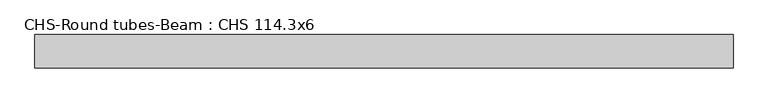
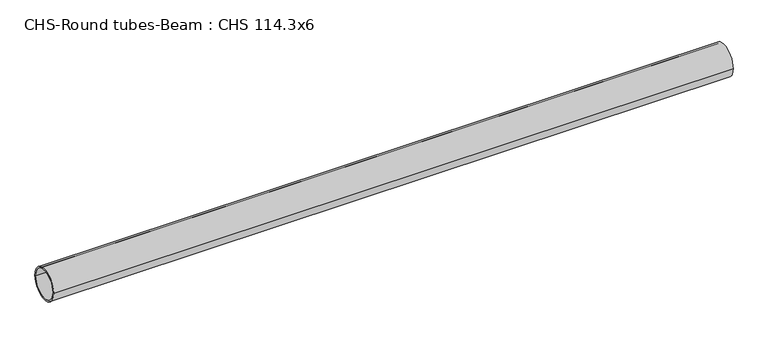
"""IFC4 building model written with IfcOpenShell, lengths in millimetres: beam geometry, CHS-Round tubes-Beam : CHS 114.3x6."""

import ifcopenshell
import ifcopenshell.guid

model = None  # the IFC model being written
_history = None  # IfcOwnerHistory: only IFC2X3 demands one
_inside = {}  # id of a spatial element -> (the spatial element, [elements in it])
_under = {}  # id of a project, library or spatial element -> (it, [spatial elements below it])
_declared = {}  # id of a project -> (the project, [libraries it declares])
_typed = {}  # id of a type object -> (the type object, [elements of that type])
_made_of = {}  # id of a material, layer set ... -> (it, [elements and type objects made of it])


def new_model(schema):
    """Start an empty IFC model of exactly this schema.

    Asked for "IFC4X3", IfcOpenShell would pick the latest addendum, in which some entities
    have other attributes; the version numbers below select the first issue.
    IFC2X3 requires an IfcOwnerHistory on every rooted entity: one is made here for all.
    """
    global model, _history
    if schema == "IFC4X3":
        model = ifcopenshell.file(schema_version=(4, 3, 0, 0))
    else:
        model = ifcopenshell.file(schema=schema)
    _inside.clear()
    _under.clear()
    _declared.clear()
    _typed.clear()
    _made_of.clear()
    _history = None
    if model.schema == "IFC2X3":
        org = make("IfcOrganization", Name="unknown")
        user = make(
            "IfcPersonAndOrganization",
            ThePerson=make("IfcPerson", FamilyName="unknown"),
            TheOrganization=org,
        )
        app = make(
            "IfcApplication",
            ApplicationDeveloper=org,
            Version="unknown",
            ApplicationFullName="unknown",
            ApplicationIdentifier="unknown",
        )
        _history = make(
            "IfcOwnerHistory",
            OwningUser=user,
            OwningApplication=app,
            ChangeAction="ADDED",
            CreationDate=0,
        )
    return model


def make(cls, **values):
    """One entity of the class cls with the attributes given. An attribute that is None is left unset."""
    return model.create_entity(
        cls, **{name: value for name, value in values.items() if value is not None}
    )


def rooted(cls, **values):
    """An entity with a GlobalId (a new one), such as an element, a storey or a relation."""
    return make(cls, GlobalId=ifcopenshell.guid.new(), OwnerHistory=_history, **values)


def si_unit(unit_type, name, prefix=None):
    """IfcSIUnit, for example si_unit("LENGTHUNIT", "METRE", prefix="MILLI")."""
    return make("IfcSIUnit", UnitType=unit_type, Prefix=prefix, Name=name)


def assignment(units):
    """IfcUnitAssignment: the units of a project."""
    return None if units is None else make("IfcUnitAssignment", Units=units)


def point(xyz):
    """IfcCartesianPoint."""
    return None if xyz is None else make("IfcCartesianPoint", Coordinates=xyz)


def direction(xyz):
    """IfcDirection."""
    return None if xyz is None else make("IfcDirection", DirectionRatios=xyz)


def frame(location, z_axis=None, x_axis=None):
    """IfcAxis2Placement3D, a coordinate frame: its origin and axes. An axis left out is left unset."""
    return make(
        "IfcAxis2Placement3D",
        Location=point(location),
        Axis=direction(z_axis),
        RefDirection=direction(x_axis),
    )


def frame_2d(location, x_axis=None):
    """IfcAxis2Placement2D, a coordinate frame in the plane: its origin and x axis."""
    return make(
        "IfcAxis2Placement2D", Location=point(location), RefDirection=direction(x_axis)
    )


def origin():
    """The frame at (0, 0, 0) with its axes left unset."""
    return frame((0.0, 0.0, 0.0))


def origin_2d():
    """The frame at (0, 0) in the plane with its x axis left unset."""
    return frame_2d((0.0, 0.0))


def place(relative_to, where):
    """IfcLocalPlacement: puts the frame where relative to a parent placement (None: the world)."""
    return make(
        "IfcLocalPlacement", PlacementRelTo=relative_to, RelativePlacement=where
    )


def context(
    kind, dimensions, precision=None, world=None, true_north=None, identifier=None
):
    """IfcGeometricRepresentationContext, for example the 3D "Model" context."""
    return make(
        "IfcGeometricRepresentationContext",
        ContextIdentifier=identifier,
        ContextType=kind,
        CoordinateSpaceDimension=dimensions,
        Precision=precision,
        WorldCoordinateSystem=world,
        TrueNorth=true_north,
    )


def project(units=None, contexts=None):
    """IfcProject with its units and contexts."""
    return rooted(
        "IfcProject",
        Name="project",
        RepresentationContexts=contexts,
        UnitsInContext=assignment(units),
    )


def spatial(cls, under=None, at=None, **own):
    """A site, building, storey or space (cls), placed at a placement, below another one or the project."""
    s = rooted(cls, ObjectPlacement=at, **own)
    if under is not None:
        _under.setdefault(under.id(), (under, []))[1].append(s)
    return s


def circle_curve(where, radius):
    """IfcCircle in the frame where."""
    return make("IfcCircle", Position=where, Radius=radius)


def trimmed(basis, trim1, trim2, sense, master):
    """IfcTrimmedCurve: the piece of a basis curve between two trims."""
    return make(
        "IfcTrimmedCurve",
        BasisCurve=basis,
        Trim1=trim1,
        Trim2=trim2,
        SenseAgreement=sense,
        MasterRepresentation=master,
    )


def segment(curve, same_sense, transition):
    """IfcCompositeCurveSegment."""
    return make(
        "IfcCompositeCurveSegment",
        Transition=transition,
        SameSense=same_sense,
        ParentCurve=curve,
    )


def composite_curve(segments, self_intersect=None):
    """IfcCompositeCurve: segments joined end to end."""
    return make("IfcCompositeCurve", Segments=segments, SelfIntersect=self_intersect)


def outline(outer, holes=None, kind="AREA"):
    """IfcArbitraryClosedProfileDef: a profile drawn as a closed curve; with holes, ...WithVoids."""
    if holes is None:
        return make("IfcArbitraryClosedProfileDef", ProfileType=kind, OuterCurve=outer)
    return make(
        "IfcArbitraryProfileDefWithVoids",
        ProfileType=kind,
        OuterCurve=outer,
        InnerCurves=holes,
    )


def extrude(swept, where, along, depth):
    """IfcExtrudedAreaSolid: the profile swept, set in the frame where, extruded along a direction by depth."""
    return make(
        "IfcExtrudedAreaSolid",
        SweptArea=swept,
        Position=where,
        ExtrudedDirection=direction(along),
        Depth=depth,
    )


def shape(context_of_items, identifier, shape_type, items):
    """IfcShapeRepresentation: the items that make up one representation, for example the "Body"."""
    return make(
        "IfcShapeRepresentation",
        ContextOfItems=context_of_items,
        RepresentationIdentifier=identifier,
        RepresentationType=shape_type,
        Items=items,
    )


def source(mapping_origin, context_of_items, identifier, shape_type, items):
    """IfcRepresentationMap: a shape defined once, which mapped items show again and again."""
    return make(
        "IfcRepresentationMap",
        MappingOrigin=mapping_origin,
        MappedRepresentation=shape(context_of_items, identifier, shape_type, items),
    )


def transform(
    local_origin,
    x_axis=None,
    y_axis=None,
    z_axis=None,
    scale=None,
    scale2=None,
    scale3=None,
    uniform=True,
):
    """IfcCartesianTransformationOperator3D, or its non-uniform kind. x_axis, y_axis, z_axis: its Axis1, 2, 3."""
    if uniform:
        return make(
            "IfcCartesianTransformationOperator3D",
            Axis1=direction(x_axis),
            Axis2=direction(y_axis),
            LocalOrigin=point(local_origin),
            Scale=scale,
            Axis3=direction(z_axis),
        )
    return make(
        "IfcCartesianTransformationOperator3DnonUniform",
        Axis1=direction(x_axis),
        Axis2=direction(y_axis),
        LocalOrigin=point(local_origin),
        Scale=scale,
        Axis3=direction(z_axis),
        Scale2=scale2,
        Scale3=scale3,
    )


def mapped(mapping_source, mapping_target):
    """IfcMappedItem: shows the shape of a source again, moved by a transform."""
    return make(
        "IfcMappedItem", MappingSource=mapping_source, MappingTarget=mapping_target
    )


def made_of(thing, what):
    """Note that an element or type object is made of a material, layer set ...; save() writes the relation."""
    if what is not None:
        _made_of.setdefault(what.id(), (what, []))[1].append(thing)
    return thing


def element(
    cls,
    number,
    at=None,
    inside=None,
    cuts=None,
    type_object=None,
    material=None,
    context=None,
    identifier="Body",
    shape_type=None,
    held_by="IfcProductDefinitionShape",
    body=None,
    shapes=None,
    **own,
):
    """One element of the class cls, such as IfcWall. Its Tag is "e" and its number.

    at: its placement. inside: the storey or other place that contains it. cuts: it is an
    opening in that element (IfcRelVoidsElement). A single representation is given by context,
    identifier, shape_type and body (its items); several are given by shapes. held_by: the class
    of the entity that holds the representations. save() writes the other relations.
    """
    e = rooted(cls, Tag="e%d" % number, ObjectPlacement=at, **own)
    if body is not None:
        shapes = [shape(context, identifier, shape_type, body)]
    if shapes is not None:
        e.Representation = make(held_by, Representations=shapes)
    if inside is not None:
        _inside.setdefault(inside.id(), (inside, []))[1].append(e)
    if cuts is not None:
        rooted(
            "IfcRelVoidsElement", RelatingBuildingElement=cuts, RelatedOpeningElement=e
        )
    if type_object is not None:
        _typed.setdefault(type_object.id(), (type_object, []))[1].append(e)
    return made_of(e, material)


def aggregate(whole, parts):
    """IfcRelAggregates: a whole, such as a stair, and the parts it consists of."""
    return rooted("IfcRelAggregates", RelatingObject=whole, RelatedObjects=parts)


def save(model, path):
    """Write the relations noted so far, then the file.

    IfcRelAggregates (storeys below a building ...), IfcRelContainedInSpatialStructure (elements
    in a storey), IfcRelDefinesByType, IfcRelAssociatesMaterial and IfcRelDeclares: one each for
    every whole, place, type object, material and project.
    """
    for whole, parts in _under.values():
        aggregate(whole, parts)
    for where, things in _inside.values():
        rooted(
            "IfcRelContainedInSpatialStructure",
            RelatedElements=things,
            RelatingStructure=where,
        )
    for kind, things in _typed.values():
        rooted("IfcRelDefinesByType", RelatedObjects=things, RelatingType=kind)
    for what, things in _made_of.values():
        rooted("IfcRelAssociatesMaterial", RelatedObjects=things, RelatingMaterial=what)
    for by, libraries in _declared.values():
        rooted("IfcRelDeclares", RelatingContext=by, RelatedDefinitions=libraries)
    model.write(path)


def chs_round_tubes_beam_chs_114_3x6_41272ff7(model_context):
    return source(origin(), model_context, "Body", "SweptSolid", [
        extrude(outline(composite_curve([segment(trimmed(circle_curve(origin_2d(), 57.15), [point((57.15, 0.0))], [point((-57.15, 0.0))], False, "CARTESIAN"), True, "CONTINUOUS"), segment(trimmed(circle_curve(origin_2d(), 57.15), [point((-57.15, 0.0))], [point((57.15, 0.0))], False, "CARTESIAN"), True, "CONTINUOUS")], self_intersect=False), holes=[composite_curve([segment(trimmed(circle_curve(origin_2d(), 51.15), [point((51.15, 0.0))], [point((-51.15, 0.0))], True, "CARTESIAN"), True, "CONTINUOUS"), segment(trimmed(circle_curve(origin_2d(), 51.15), [point((-51.15, 0.0))], [point((51.15, 0.0))], True, "CARTESIAN"), True, "CONTINUOUS")], self_intersect=False)]), frame((-1147.514611, 0.0, 0.0), z_axis=(1.0, 0.0, 0.0), x_axis=(0.0, 1.0, 0.0)), (0.0, 0.0, 1.0), 2393.5632907),
    ])


if __name__ == "__main__":
    model = new_model("IFC4")
    model_context = context("Model", 3, world=origin())
    ifc_project = project(units=[si_unit("LENGTHUNIT", "METRE", prefix="MILLI")], contexts=[model_context])
    site = spatial("IfcSite", under=ifc_project)
    building = spatial("IfcBuilding", under=site)
    placement = place(None, origin())
    chs_round_tubes_beam_chs_114_3x6_shape = chs_round_tubes_beam_chs_114_3x6_41272ff7(model_context)
    element("IfcBeam", 1, ObjectType="CHS-Round tubes-Beam : CHS 114.3x6", at=placement, inside=building, context=model_context, shape_type="MappedRepresentation", body=[
        mapped(chs_round_tubes_beam_chs_114_3x6_shape, transform((0.0, 0.0, 0.0), x_axis=(1.0, 0.0, 0.0), y_axis=(0.0, 1.0, 0.0), z_axis=(0.0, 0.0, 1.0))),
    ])
    save(model, "model.ifc")
